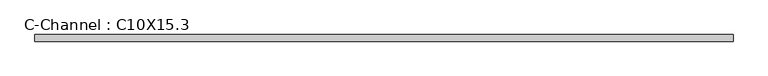
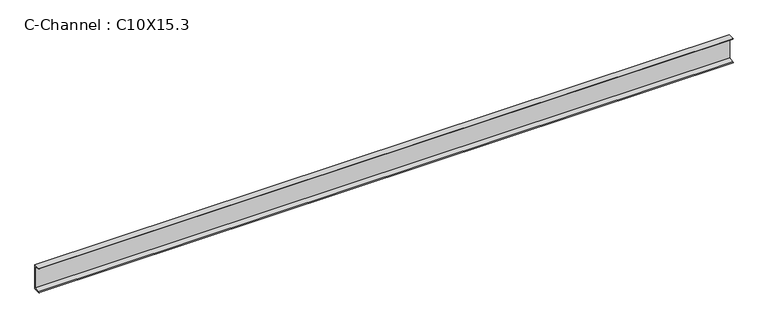
"""IFC4 building model written with IfcOpenShell, lengths in millimetres: beam geometry, C-Channel : C10X15.3."""

from ifc_helpers import new_model, si_unit, point, frame, frame_2d, origin, place, context, project, spatial, polyline, circle_curve, trimmed, segment, composite_curve, outline, extrude, source, transform, mapped, element, save


def c_channel_c10x15_3_d7a5bfca(model_context):
    return source(origin(), model_context, "Body", "SweptSolid", [
        extrude(outline(composite_curve([segment(polyline([(14.0716, 127.0), (14.0716, -127.0), (-52.0080875, -127.0)]), True, "CONTINUOUS"), segment(trimmed(circle_curve(frame_2d((-45.9557438, -127.0)), 6.0523438), [point((-52.0080875, -127.0))], [point((-45.9557438, -120.9476563))], False, "CARTESIAN"), True, "CONTINUOUS"), segment(polyline([(-45.9557438, -120.9476563), (8.0192562, -112.3988561), (8.0192562, 112.3988561), (-45.9557438, 120.9476562)]), True, "CONTINUOUS"), segment(trimmed(circle_curve(frame_2d((-45.9557438, 127.0)), 6.0523437), [point((-45.9557438, 120.9476562))], [point((-52.0080875, 127.0))], False, "CARTESIAN"), True, "CONTINUOUS"), segment(polyline([(-52.0080875, 127.0), (14.0716, 127.0)]), True, "CONTINUOUS")], self_intersect=False)), frame((-3461.9939646, 0.0, 0.0), z_axis=(1.0, 0.0, 0.0), x_axis=(0.0, 1.0, 0.0)), (0.0, 0.0, 1.0), 6923.9879292),
    ])


if __name__ == "__main__":
    model = new_model("IFC4")
    model_context = context("Model", 3, world=origin())
    ifc_project = project(units=[si_unit("LENGTHUNIT", "METRE", prefix="MILLI")], contexts=[model_context])
    site = spatial("IfcSite", under=ifc_project)
    building = spatial("IfcBuilding", under=site)
    placement = place(None, origin())
    c_channel_c10x15_3_shape = c_channel_c10x15_3_d7a5bfca(model_context)
    element("IfcBeam", 1, ObjectType="C-Channel : C10X15.3", at=placement, inside=building, context=model_context, shape_type="MappedRepresentation", body=[
        mapped(c_channel_c10x15_3_shape, transform((0.0, 0.0, 0.0), x_axis=(1.0, 0.0, 0.0), y_axis=(0.0, 1.0, 0.0), z_axis=(0.0, 0.0, 1.0))),
    ])
    save(model, "model.ifc")
